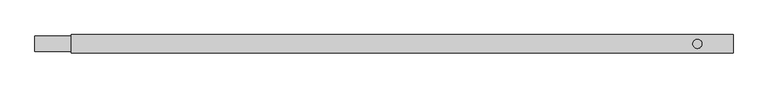
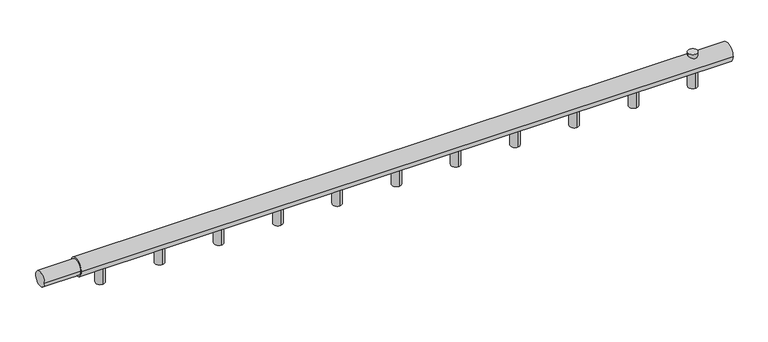
"""IFC4 building model written with IfcOpenShell, lengths in millimetres: proxy geometry."""

import ifcopenshell
import ifcopenshell.guid

model = None  # the IFC model being written
_history = None  # IfcOwnerHistory: only IFC2X3 demands one
_inside = {}  # id of a spatial element -> (the spatial element, [elements in it])
_under = {}  # id of a project, library or spatial element -> (it, [spatial elements below it])
_declared = {}  # id of a project -> (the project, [libraries it declares])
_typed = {}  # id of a type object -> (the type object, [elements of that type])
_made_of = {}  # id of a material, layer set ... -> (it, [elements and type objects made of it])


def new_model(schema):
    """Start an empty IFC model of exactly this schema.

    Asked for "IFC4X3", IfcOpenShell would pick the latest addendum, in which some entities
    have other attributes; the version numbers below select the first issue.
    IFC2X3 requires an IfcOwnerHistory on every rooted entity: one is made here for all.
    """
    global model, _history
    if schema == "IFC4X3":
        model = ifcopenshell.file(schema_version=(4, 3, 0, 0))
    else:
        model = ifcopenshell.file(schema=schema)
    _inside.clear()
    _under.clear()
    _declared.clear()
    _typed.clear()
    _made_of.clear()
    _history = None
    if model.schema == "IFC2X3":
        org = make("IfcOrganization", Name="unknown")
        user = make(
            "IfcPersonAndOrganization",
            ThePerson=make("IfcPerson", FamilyName="unknown"),
            TheOrganization=org,
        )
        app = make(
            "IfcApplication",
            ApplicationDeveloper=org,
            Version="unknown",
            ApplicationFullName="unknown",
            ApplicationIdentifier="unknown",
        )
        _history = make(
            "IfcOwnerHistory",
            OwningUser=user,
            OwningApplication=app,
            ChangeAction="ADDED",
            CreationDate=0,
        )
    return model


def make(cls, **values):
    """One entity of the class cls with the attributes given. An attribute that is None is left unset."""
    return model.create_entity(
        cls, **{name: value for name, value in values.items() if value is not None}
    )


def rooted(cls, **values):
    """An entity with a GlobalId (a new one), such as an element, a storey or a relation."""
    return make(cls, GlobalId=ifcopenshell.guid.new(), OwnerHistory=_history, **values)


def si_unit(unit_type, name, prefix=None):
    """IfcSIUnit, for example si_unit("LENGTHUNIT", "METRE", prefix="MILLI")."""
    return make("IfcSIUnit", UnitType=unit_type, Prefix=prefix, Name=name)


def assignment(units):
    """IfcUnitAssignment: the units of a project."""
    return None if units is None else make("IfcUnitAssignment", Units=units)


def point(xyz):
    """IfcCartesianPoint."""
    return None if xyz is None else make("IfcCartesianPoint", Coordinates=xyz)


def direction(xyz):
    """IfcDirection."""
    return None if xyz is None else make("IfcDirection", DirectionRatios=xyz)


def frame(location, z_axis=None, x_axis=None):
    """IfcAxis2Placement3D, a coordinate frame: its origin and axes. An axis left out is left unset."""
    return make(
        "IfcAxis2Placement3D",
        Location=point(location),
        Axis=direction(z_axis),
        RefDirection=direction(x_axis),
    )


def frame_2d(location, x_axis=None):
    """IfcAxis2Placement2D, a coordinate frame in the plane: its origin and x axis."""
    return make(
        "IfcAxis2Placement2D", Location=point(location), RefDirection=direction(x_axis)
    )


def origin():
    """The frame at (0, 0, 0) with its axes left unset."""
    return frame((0.0, 0.0, 0.0))


def origin_with_axes():
    """The frame at (0, 0, 0) with the z axis (0, 0, 1) and the x axis (1, 0, 0) written out."""
    return frame((0.0, 0.0, 0.0), z_axis=(0.0, 0.0, 1.0), x_axis=(1.0, 0.0, 0.0))


def origin_2d():
    """The frame at (0, 0) in the plane with its x axis left unset."""
    return frame_2d((0.0, 0.0))


def place(relative_to, where):
    """IfcLocalPlacement: puts the frame where relative to a parent placement (None: the world)."""
    return make(
        "IfcLocalPlacement", PlacementRelTo=relative_to, RelativePlacement=where
    )


def context(
    kind, dimensions, precision=None, world=None, true_north=None, identifier=None
):
    """IfcGeometricRepresentationContext, for example the 3D "Model" context."""
    return make(
        "IfcGeometricRepresentationContext",
        ContextIdentifier=identifier,
        ContextType=kind,
        CoordinateSpaceDimension=dimensions,
        Precision=precision,
        WorldCoordinateSystem=world,
        TrueNorth=true_north,
    )


def project(units=None, contexts=None):
    """IfcProject with its units and contexts."""
    return rooted(
        "IfcProject",
        Name="project",
        RepresentationContexts=contexts,
        UnitsInContext=assignment(units),
    )


def spatial(cls, under=None, at=None, **own):
    """A site, building, storey or space (cls), placed at a placement, below another one or the project."""
    s = rooted(cls, ObjectPlacement=at, **own)
    if under is not None:
        _under.setdefault(under.id(), (under, []))[1].append(s)
    return s


def circle_curve(where, radius):
    """IfcCircle in the frame where."""
    return make("IfcCircle", Position=where, Radius=radius)


def trimmed(basis, trim1, trim2, sense, master):
    """IfcTrimmedCurve: the piece of a basis curve between two trims."""
    return make(
        "IfcTrimmedCurve",
        BasisCurve=basis,
        Trim1=trim1,
        Trim2=trim2,
        SenseAgreement=sense,
        MasterRepresentation=master,
    )


def segment(curve, same_sense, transition):
    """IfcCompositeCurveSegment."""
    return make(
        "IfcCompositeCurveSegment",
        Transition=transition,
        SameSense=same_sense,
        ParentCurve=curve,
    )


def composite_curve(segments, self_intersect=None):
    """IfcCompositeCurve: segments joined end to end."""
    return make("IfcCompositeCurve", Segments=segments, SelfIntersect=self_intersect)


def outline(outer, holes=None, kind="AREA"):
    """IfcArbitraryClosedProfileDef: a profile drawn as a closed curve; with holes, ...WithVoids."""
    if holes is None:
        return make("IfcArbitraryClosedProfileDef", ProfileType=kind, OuterCurve=outer)
    return make(
        "IfcArbitraryProfileDefWithVoids",
        ProfileType=kind,
        OuterCurve=outer,
        InnerCurves=holes,
    )


def extrude(swept, where, along, depth):
    """IfcExtrudedAreaSolid: the profile swept, set in the frame where, extruded along a direction by depth."""
    return make(
        "IfcExtrudedAreaSolid",
        SweptArea=swept,
        Position=where,
        ExtrudedDirection=direction(along),
        Depth=depth,
    )


def shape(context_of_items, identifier, shape_type, items):
    """IfcShapeRepresentation: the items that make up one representation, for example the "Body"."""
    return make(
        "IfcShapeRepresentation",
        ContextOfItems=context_of_items,
        RepresentationIdentifier=identifier,
        RepresentationType=shape_type,
        Items=items,
    )


def source(mapping_origin, context_of_items, identifier, shape_type, items):
    """IfcRepresentationMap: a shape defined once, which mapped items show again and again."""
    return make(
        "IfcRepresentationMap",
        MappingOrigin=mapping_origin,
        MappedRepresentation=shape(context_of_items, identifier, shape_type, items),
    )


def transform(
    local_origin,
    x_axis=None,
    y_axis=None,
    z_axis=None,
    scale=None,
    scale2=None,
    scale3=None,
    uniform=True,
):
    """IfcCartesianTransformationOperator3D, or its non-uniform kind. x_axis, y_axis, z_axis: its Axis1, 2, 3."""
    if uniform:
        return make(
            "IfcCartesianTransformationOperator3D",
            Axis1=direction(x_axis),
            Axis2=direction(y_axis),
            LocalOrigin=point(local_origin),
            Scale=scale,
            Axis3=direction(z_axis),
        )
    return make(
        "IfcCartesianTransformationOperator3DnonUniform",
        Axis1=direction(x_axis),
        Axis2=direction(y_axis),
        LocalOrigin=point(local_origin),
        Scale=scale,
        Axis3=direction(z_axis),
        Scale2=scale2,
        Scale3=scale3,
    )


def mapped(mapping_source, mapping_target):
    """IfcMappedItem: shows the shape of a source again, moved by a transform."""
    return make(
        "IfcMappedItem", MappingSource=mapping_source, MappingTarget=mapping_target
    )


def made_of(thing, what):
    """Note that an element or type object is made of a material, layer set ...; save() writes the relation."""
    if what is not None:
        _made_of.setdefault(what.id(), (what, []))[1].append(thing)
    return thing


def element(
    cls,
    number,
    at=None,
    inside=None,
    cuts=None,
    type_object=None,
    material=None,
    context=None,
    identifier="Body",
    shape_type=None,
    held_by="IfcProductDefinitionShape",
    body=None,
    shapes=None,
    **own,
):
    """One element of the class cls, such as IfcWall. Its Tag is "e" and its number.

    at: its placement. inside: the storey or other place that contains it. cuts: it is an
    opening in that element (IfcRelVoidsElement). A single representation is given by context,
    identifier, shape_type and body (its items); several are given by shapes. held_by: the class
    of the entity that holds the representations. save() writes the other relations.
    """
    e = rooted(cls, Tag="e%d" % number, ObjectPlacement=at, **own)
    if body is not None:
        shapes = [shape(context, identifier, shape_type, body)]
    if shapes is not None:
        e.Representation = make(held_by, Representations=shapes)
    if inside is not None:
        _inside.setdefault(inside.id(), (inside, []))[1].append(e)
    if cuts is not None:
        rooted(
            "IfcRelVoidsElement", RelatingBuildingElement=cuts, RelatedOpeningElement=e
        )
    if type_object is not None:
        _typed.setdefault(type_object.id(), (type_object, []))[1].append(e)
    return made_of(e, material)


def aggregate(whole, parts):
    """IfcRelAggregates: a whole, such as a stair, and the parts it consists of."""
    return rooted("IfcRelAggregates", RelatingObject=whole, RelatedObjects=parts)


def save(model, path):
    """Write the relations noted so far, then the file.

    IfcRelAggregates (storeys below a building ...), IfcRelContainedInSpatialStructure (elements
    in a storey), IfcRelDefinesByType, IfcRelAssociatesMaterial and IfcRelDeclares: one each for
    every whole, place, type object, material and project.
    """
    for whole, parts in _under.values():
        aggregate(whole, parts)
    for where, things in _inside.values():
        rooted(
            "IfcRelContainedInSpatialStructure",
            RelatedElements=things,
            RelatingStructure=where,
        )
    for kind, things in _typed.values():
        rooted("IfcRelDefinesByType", RelatedObjects=things, RelatingType=kind)
    for what, things in _made_of.values():
        rooted("IfcRelAssociatesMaterial", RelatedObjects=things, RelatingMaterial=what)
    for by, libraries in _declared.values():
        rooted("IfcRelDeclares", RelatingContext=by, RelatedDefinitions=libraries)
    model.write(path)


def mechanical_equipment_2e673506(model_context):
    return source(origin(), model_context, "Body", "SweptSolid", [
        extrude(outline(composite_curve([segment(trimmed(circle_curve(frame_2d((1086.3636364, 0.0)), 7.5), [point((1078.8636364, 0.0))], [point((1093.8636364, 0.0))], False, "CARTESIAN"), True, "CONTINUOUS"), segment(trimmed(circle_curve(frame_2d((1086.3636364, 0.0)), 7.5), [point((1093.8636364, 0.0))], [point((1078.8636364, 0.0))], False, "CARTESIAN"), True, "CONTINUOUS")], self_intersect=False)), origin_with_axes(), (0.0, 0.0, 1.0), 20.0),
        extrude(outline(composite_curve([segment(trimmed(circle_curve(origin_2d(), 12.5), [point((-12.5, 0.0))], [point((12.5, 0.0))], False, "CARTESIAN"), True, "CONTINUOUS"), segment(trimmed(circle_curve(origin_2d(), 12.5), [point((12.5, 0.0))], [point((-12.5, 0.0))], False, "CARTESIAN"), True, "CONTINUOUS")], self_intersect=False)), frame((0.0, 0.0, 0.0), z_axis=(1.0, 0.0, 0.0), x_axis=(0.0, 1.0, 0.0)), (0.0, 0.0, 1.0), 60.0),
        extrude(outline(composite_curve([segment(trimmed(circle_curve(origin_2d(), 15.0), [point((-15.0, 0.0))], [point((15.0, 0.0))], False, "CARTESIAN"), True, "CONTINUOUS"), segment(trimmed(circle_curve(origin_2d(), 15.0), [point((15.0, 0.0))], [point((-15.0, 0.0))], False, "CARTESIAN"), True, "CONTINUOUS")], self_intersect=False)), frame((60.0, 0.0, 0.0), z_axis=(1.0, 0.0, 0.0), x_axis=(0.0, 1.0, 0.0)), (0.0, 0.0, 1.0), 1085.0),
        extrude(outline(composite_curve([segment(trimmed(circle_curve(frame_2d((1086.3636364, 0.0)), 7.5), [point((1086.3636364, 7.5))], [point((1086.3636364, -7.5))], False, "CARTESIAN"), True, "CONTINUOUS"), segment(trimmed(circle_curve(frame_2d((1086.3636364, 0.0)), 7.5), [point((1086.3636364, -7.5))], [point((1086.3636364, 7.5))], False, "CARTESIAN"), True, "CONTINUOUS")], self_intersect=False)), frame((0.0, 0.0, -40.0), z_axis=(0.0, 0.0, 1.0), x_axis=(1.0, 0.0, 0.0)), (0.0, 0.0, 1.0), 40.0),
        extrude(outline(composite_curve([segment(trimmed(circle_curve(frame_2d((987.7272727, 0.0)), 7.5), [point((987.7272727, 7.5))], [point((987.7272727, -7.5))], False, "CARTESIAN"), True, "CONTINUOUS"), segment(trimmed(circle_curve(frame_2d((987.7272727, 0.0)), 7.5), [point((987.7272727, -7.5))], [point((987.7272727, 7.5))], False, "CARTESIAN"), True, "CONTINUOUS")], self_intersect=False)), frame((0.0, 0.0, -40.0), z_axis=(0.0, 0.0, 1.0), x_axis=(1.0, 0.0, 0.0)), (0.0, 0.0, 1.0), 40.0),
        extrude(outline(composite_curve([segment(trimmed(circle_curve(frame_2d((889.0909091, 0.0)), 7.5), [point((889.0909091, 7.5))], [point((889.0909091, -7.5))], False, "CARTESIAN"), True, "CONTINUOUS"), segment(trimmed(circle_curve(frame_2d((889.0909091, 0.0)), 7.5), [point((889.0909091, -7.5))], [point((889.0909091, 7.5))], False, "CARTESIAN"), True, "CONTINUOUS")], self_intersect=False)), frame((0.0, 0.0, -40.0), z_axis=(0.0, 0.0, 1.0), x_axis=(1.0, 0.0, 0.0)), (0.0, 0.0, 1.0), 40.0),
        extrude(outline(composite_curve([segment(trimmed(circle_curve(frame_2d((790.4545455, 0.0)), 7.5), [point((790.4545455, 7.5))], [point((790.4545455, -7.5))], False, "CARTESIAN"), True, "CONTINUOUS"), segment(trimmed(circle_curve(frame_2d((790.4545455, 0.0)), 7.5), [point((790.4545455, -7.5))], [point((790.4545455, 7.5))], False, "CARTESIAN"), True, "CONTINUOUS")], self_intersect=False)), frame((0.0, 0.0, -40.0), z_axis=(0.0, 0.0, 1.0), x_axis=(1.0, 0.0, 0.0)), (0.0, 0.0, 1.0), 40.0),
        extrude(outline(composite_curve([segment(trimmed(circle_curve(frame_2d((691.8181818, 0.0)), 7.5), [point((691.8181818, 7.5))], [point((691.8181818, -7.5))], False, "CARTESIAN"), True, "CONTINUOUS"), segment(trimmed(circle_curve(frame_2d((691.8181818, 0.0)), 7.5), [point((691.8181818, -7.5))], [point((691.8181818, 7.5))], False, "CARTESIAN"), True, "CONTINUOUS")], self_intersect=False)), frame((0.0, 0.0, -40.0), z_axis=(0.0, 0.0, 1.0), x_axis=(1.0, 0.0, 0.0)), (0.0, 0.0, 1.0), 40.0),
        extrude(outline(composite_curve([segment(trimmed(circle_curve(frame_2d((593.1818182, 0.0)), 7.5), [point((593.1818182, 7.5))], [point((593.1818182, -7.5))], False, "CARTESIAN"), True, "CONTINUOUS"), segment(trimmed(circle_curve(frame_2d((593.1818182, 0.0)), 7.5), [point((593.1818182, -7.5))], [point((593.1818182, 7.5))], False, "CARTESIAN"), True, "CONTINUOUS")], self_intersect=False)), frame((0.0, 0.0, -40.0), z_axis=(0.0, 0.0, 1.0), x_axis=(1.0, 0.0, 0.0)), (0.0, 0.0, 1.0), 40.0),
        extrude(outline(composite_curve([segment(trimmed(circle_curve(frame_2d((494.5454545, 0.0)), 7.5), [point((494.5454545, 7.5))], [point((494.5454545, -7.5))], False, "CARTESIAN"), True, "CONTINUOUS"), segment(trimmed(circle_curve(frame_2d((494.5454545, 0.0)), 7.5), [point((494.5454545, -7.5))], [point((494.5454545, 7.5))], False, "CARTESIAN"), True, "CONTINUOUS")], self_intersect=False)), frame((0.0, 0.0, -40.0), z_axis=(0.0, 0.0, 1.0), x_axis=(1.0, 0.0, 0.0)), (0.0, 0.0, 1.0), 40.0),
        extrude(outline(composite_curve([segment(trimmed(circle_curve(frame_2d((395.9090909, 0.0)), 7.5), [point((395.9090909, 7.5))], [point((395.9090909, -7.5))], False, "CARTESIAN"), True, "CONTINUOUS"), segment(trimmed(circle_curve(frame_2d((395.9090909, 0.0)), 7.5), [point((395.9090909, -7.5))], [point((395.9090909, 7.5))], False, "CARTESIAN"), True, "CONTINUOUS")], self_intersect=False)), frame((0.0, 0.0, -40.0), z_axis=(0.0, 0.0, 1.0), x_axis=(1.0, 0.0, 0.0)), (0.0, 0.0, 1.0), 40.0),
        extrude(outline(composite_curve([segment(trimmed(circle_curve(frame_2d((297.2727273, 0.0)), 7.5), [point((297.2727273, 7.5))], [point((297.2727273, -7.5))], False, "CARTESIAN"), True, "CONTINUOUS"), segment(trimmed(circle_curve(frame_2d((297.2727273, 0.0)), 7.5), [point((297.2727273, -7.5))], [point((297.2727273, 7.5))], False, "CARTESIAN"), True, "CONTINUOUS")], self_intersect=False)), frame((0.0, 0.0, -40.0), z_axis=(0.0, 0.0, 1.0), x_axis=(1.0, 0.0, 0.0)), (0.0, 0.0, 1.0), 40.0),
        extrude(outline(composite_curve([segment(trimmed(circle_curve(frame_2d((198.6363636, 0.0)), 7.5), [point((198.6363636, 7.5))], [point((198.6363636, -7.5))], False, "CARTESIAN"), True, "CONTINUOUS"), segment(trimmed(circle_curve(frame_2d((198.6363636, 0.0)), 7.5), [point((198.6363636, -7.5))], [point((198.6363636, 7.5))], False, "CARTESIAN"), True, "CONTINUOUS")], self_intersect=False)), frame((0.0, 0.0, -40.0), z_axis=(0.0, 0.0, 1.0), x_axis=(1.0, 0.0, 0.0)), (0.0, 0.0, 1.0), 40.0),
        extrude(outline(composite_curve([segment(trimmed(circle_curve(frame_2d((100.0, 0.0)), 7.5), [point((100.0, 7.5))], [point((100.0, -7.5))], False, "CARTESIAN"), True, "CONTINUOUS"), segment(trimmed(circle_curve(frame_2d((100.0, 0.0)), 7.5), [point((100.0, -7.5))], [point((100.0, 7.5))], False, "CARTESIAN"), True, "CONTINUOUS")], self_intersect=False)), frame((0.0, 0.0, -40.0), z_axis=(0.0, 0.0, 1.0), x_axis=(1.0, 0.0, 0.0)), (0.0, 0.0, 1.0), 40.0),
    ])


if __name__ == "__main__":
    model = new_model("IFC4")
    model_context = context("Model", 3, world=origin())
    ifc_project = project(units=[si_unit("LENGTHUNIT", "METRE", prefix="MILLI")], contexts=[model_context])
    site = spatial("IfcSite", under=ifc_project)
    building = spatial("IfcBuilding", under=site)
    placement = place(None, origin())
    mechanical_equipment_shape = mechanical_equipment_2e673506(model_context)
    element("IfcBuildingElementProxy", 1, Name="Mechanical Equipment", at=placement, inside=building, context=model_context, shape_type="MappedRepresentation", body=[
        mapped(mechanical_equipment_shape, transform((0.0, 0.0, 0.0), x_axis=(1.0, 0.0, 0.0), y_axis=(0.0, 1.0, 0.0), z_axis=(0.0, 0.0, 1.0))),
    ])
    save(model, "model.ifc")
